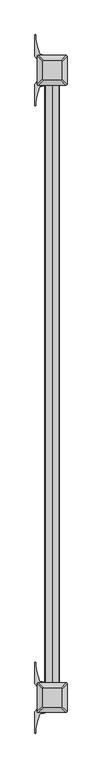
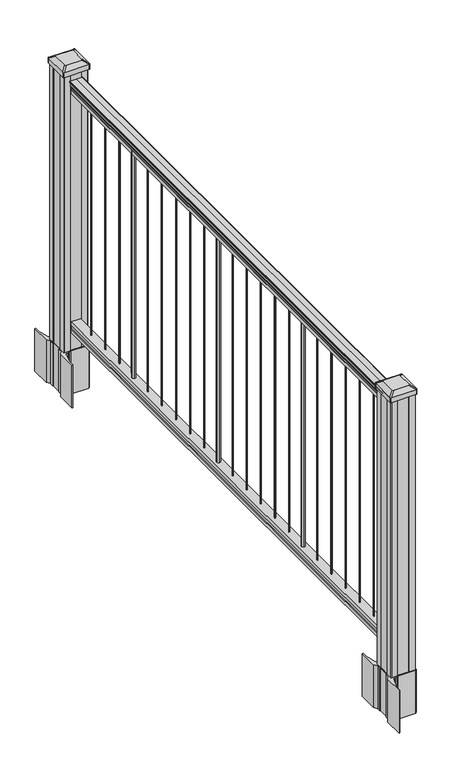
"""IFC4 building model written with IfcOpenShell, lengths in millimetres: railing geometry."""

from ifc_helpers import new_model, si_unit, point, frame, frame_2d, origin, origin_with_axes, place, context, project, spatial, polyline, circle_curve, trimmed, segment, composite_curve, outline, extrude, source, transform, mapped, element, save
from ifc_brep_helpers import plane_surface, extruded_surface, advanced_brep


def railing_ecd003d6(model_context):
    return source(origin(), model_context, "Body", "SolidModel", [
        extrude(outline(composite_curve([segment(polyline([(938.4043297, -269.9529214), (940.292412, -269.9529214)]), True, "CONTINUOUS"), segment(trimmed(circle_curve(frame_2d((946.0506383, -276.2676747)), 8.545951), [point((940.292412, -269.9529214))], [point((941.8546695, -268.8227351))], False, "CARTESIAN"), True, "CONTINUOUS"), segment(trimmed(circle_curve(frame_2d((945.4636577, -275.8306117)), 7.882584), [point((941.8546695, -268.8227351))], [point((949.0726458, -268.8227351))], False, "CARTESIAN"), True, "CONTINUOUS"), segment(trimmed(circle_curve(frame_2d((951.3112527, -265.3172876)), 4.1592695), [point((949.0726458, -268.8227351))], [point((951.5060812, -269.4719915))], True, "CARTESIAN"), True, "CONTINUOUS"), segment(trimmed(circle_curve(frame_2d((951.2508864, -264.0299811)), 5.4479907), [point((951.5060812, -269.4719915))], [point((955.8362083, -266.9719915))], True, "CARTESIAN"), True, "CONTINUOUS"), segment(trimmed(circle_curve(frame_2d((955.833395, -265.2631395)), 1.7088543), [point((955.8362083, -266.9719915))], [point((957.5157972, -265.5626491))], True, "CARTESIAN"), True, "CONTINUOUS"), segment(trimmed(circle_curve(frame_2d((958.6205318, -266.8800396)), 1.7192895), [point((957.5157972, -265.5626491))], [point((958.6205318, -265.1607501))], False, "CARTESIAN"), True, "CONTINUOUS"), segment(polyline([(958.6205318, -265.1607501), (959.9608158, -265.1607502)]), True, "CONTINUOUS"), segment(trimmed(circle_curve(frame_2d((959.9608158, -266.7141974)), 1.5534472), [point((959.9608158, -265.1607502))], [point((961.514263, -266.7141974))], False, "CARTESIAN"), True, "CONTINUOUS"), segment(polyline([(961.514263, -266.7141974), (961.514263, -287.3857502), (961.514263, -308.0573029)]), True, "CONTINUOUS"), segment(trimmed(circle_curve(frame_2d((959.9608158, -308.0573029)), 1.5534472), [point((961.514263, -308.0573029))], [point((959.9608158, -309.6107502))], False, "CARTESIAN"), True, "CONTINUOUS"), segment(polyline([(959.9608158, -309.6107502), (958.6205318, -309.6107502)]), True, "CONTINUOUS"), segment(trimmed(circle_curve(frame_2d((958.6205318, -307.8914607)), 1.7192895), [point((958.6205318, -309.6107502))], [point((957.5157972, -309.2088512))], False, "CARTESIAN"), True, "CONTINUOUS"), segment(trimmed(circle_curve(frame_2d((955.833395, -309.5083608)), 1.7088543), [point((957.5157972, -309.2088512))], [point((955.8362083, -307.7995088))], True, "CARTESIAN"), True, "CONTINUOUS"), segment(trimmed(circle_curve(frame_2d((951.2508864, -310.7415193)), 5.4479907), [point((955.8362083, -307.7995088))], [point((951.5060812, -305.2995088))], True, "CARTESIAN"), True, "CONTINUOUS"), segment(trimmed(circle_curve(frame_2d((951.3112527, -309.4542127)), 4.1592695), [point((951.5060812, -305.2995088))], [point((949.0726458, -305.9487652))], True, "CARTESIAN"), True, "CONTINUOUS"), segment(trimmed(circle_curve(frame_2d((945.4636577, -298.9408886)), 7.882584), [point((949.0726458, -305.9487652))], [point((941.8546695, -305.9487652))], False, "CARTESIAN"), True, "CONTINUOUS"), segment(trimmed(circle_curve(frame_2d((946.0506383, -298.5038256)), 8.545951), [point((941.8546695, -305.9487652))], [point((940.292412, -304.8185789))], False, "CARTESIAN"), True, "CONTINUOUS"), segment(polyline([(940.292412, -304.8185789), (938.4043297, -304.8185789)]), True, "CONTINUOUS"), segment(trimmed(circle_curve(frame_2d((938.4043297, -303.5316645)), 1.2869144), [point((938.4043297, -304.8185789))], [point((938.4043297, -302.2447502))], False, "CARTESIAN"), True, "CONTINUOUS"), segment(polyline([(938.4043297, -302.2447502), (927.9048283, -302.2447502), (926.8888283, -303.2607502), (914.4, -303.2607502), (914.4, -271.5107502), (926.731013, -271.5107502), (927.747013, -272.5267502), (938.4043297, -272.5267502)]), True, "CONTINUOUS"), segment(trimmed(circle_curve(frame_2d((938.4043297, -271.2398358)), 1.2869144), [point((938.4043297, -272.5267502))], [point((938.4043297, -269.9529214))], False, "CARTESIAN"), True, "CONTINUOUS")], self_intersect=False)), frame((0.0, -85992.9191011, 0.0), z_axis=(0.0, 1.0, 0.0), x_axis=(0.0, 0.0, 1.0)), (0.0, 0.0, 1.0), 1828.8),
        extrude(outline(polyline([(76.0541976, -271.4732633), (77.3546183, -272.4892633), (87.7141717, -272.4892633), (89.0624492, -271.4732633), (101.5958781, -271.4732633), (101.5958781, -303.2232633), (89.0458024, -303.2232633), (87.6975248, -302.2072633), (77.3858283, -302.2072633), (76.0375508, -303.2232633), (63.5, -303.2232633), (63.5, -271.4732633), (76.0541976, -271.4732633)])), frame((0.0, -85992.9191011, 0.0), z_axis=(0.0, 1.0, 0.0), x_axis=(0.0, 0.0, 1.0)), (0.0, 0.0, 1.0), 1828.8),
        extrude(outline(composite_curve([segment(trimmed(circle_curve(frame_2d((-287.3857502, -84253.0191011)), 1.5875), [point((-285.7982502, -84253.0191011))], [point((-287.3857502, -84254.6066011))], False, "CARTESIAN"), True, "CONTINUOUS"), segment(trimmed(circle_curve(frame_2d((-287.3857502, -84253.0191011)), 1.5875), [point((-287.3857502, -84254.6066011))], [point((-288.9732502, -84253.0191011))], False, "CARTESIAN"), True, "CONTINUOUS"), segment(trimmed(circle_curve(frame_2d((-287.3857502, -84253.0191011)), 1.5875), [point((-288.9732502, -84253.0191011))], [point((-287.3857502, -84251.4316011))], False, "CARTESIAN"), True, "CONTINUOUS"), segment(trimmed(circle_curve(frame_2d((-287.3857502, -84253.0191011)), 1.5875), [point((-287.3857502, -84251.4316011))], [point((-285.7982502, -84253.0191011))], False, "CARTESIAN"), True, "CONTINUOUS")], self_intersect=False)), frame((0.0, 0.0, 101.5958781), z_axis=(0.0, 0.0, 1.0), x_axis=(1.0, 0.0, 0.0)), (0.0, 0.0, 1.0), 812.8041219),
        extrude(outline(composite_curve([segment(trimmed(circle_curve(frame_2d((-287.3857502, -84335.5691011)), 1.5875), [point((-285.7982502, -84335.5691011))], [point((-287.3857502, -84337.1566011))], False, "CARTESIAN"), True, "CONTINUOUS"), segment(trimmed(circle_curve(frame_2d((-287.3857502, -84335.5691011)), 1.5875), [point((-287.3857502, -84337.1566011))], [point((-288.9732502, -84335.5691011))], False, "CARTESIAN"), True, "CONTINUOUS"), segment(trimmed(circle_curve(frame_2d((-287.3857502, -84335.5691011)), 1.5875), [point((-288.9732502, -84335.5691011))], [point((-287.3857502, -84333.9816011))], False, "CARTESIAN"), True, "CONTINUOUS"), segment(trimmed(circle_curve(frame_2d((-287.3857502, -84335.5691011)), 1.5875), [point((-287.3857502, -84333.9816011))], [point((-285.7982502, -84335.5691011))], False, "CARTESIAN"), True, "CONTINUOUS")], self_intersect=False)), frame((0.0, 0.0, 101.5958781), z_axis=(0.0, 0.0, 1.0), x_axis=(1.0, 0.0, 0.0)), (0.0, 0.0, 1.0), 812.8041219),
        extrude(outline(composite_curve([segment(trimmed(circle_curve(frame_2d((-287.3857502, -84418.1191011)), 1.5875), [point((-285.7982502, -84418.1191011))], [point((-287.3857502, -84419.7066011))], False, "CARTESIAN"), True, "CONTINUOUS"), segment(trimmed(circle_curve(frame_2d((-287.3857502, -84418.1191011)), 1.5875), [point((-287.3857502, -84419.7066011))], [point((-288.9732502, -84418.1191011))], False, "CARTESIAN"), True, "CONTINUOUS"), segment(trimmed(circle_curve(frame_2d((-287.3857502, -84418.1191011)), 1.5875), [point((-288.9732502, -84418.1191011))], [point((-287.3857502, -84416.5316011))], False, "CARTESIAN"), True, "CONTINUOUS"), segment(trimmed(circle_curve(frame_2d((-287.3857502, -84418.1191011)), 1.5875), [point((-287.3857502, -84416.5316011))], [point((-285.7982502, -84418.1191011))], False, "CARTESIAN"), True, "CONTINUOUS")], self_intersect=False)), frame((0.0, 0.0, 101.5958781), z_axis=(0.0, 0.0, 1.0), x_axis=(1.0, 0.0, 0.0)), (0.0, 0.0, 1.0), 812.8041219),
        extrude(outline(composite_curve([segment(trimmed(circle_curve(frame_2d((-287.3857502, -84500.6691011)), 6.35), [point((-281.0357502, -84500.6691011))], [point((-287.3857502, -84507.0191011))], False, "CARTESIAN"), True, "CONTINUOUS"), segment(trimmed(circle_curve(frame_2d((-287.3857502, -84500.6691011)), 6.35), [point((-287.3857502, -84507.0191011))], [point((-293.7357502, -84500.6691011))], False, "CARTESIAN"), True, "CONTINUOUS"), segment(trimmed(circle_curve(frame_2d((-287.3857502, -84500.6691011)), 6.35), [point((-293.7357502, -84500.6691011))], [point((-287.3857502, -84494.3191011))], False, "CARTESIAN"), True, "CONTINUOUS"), segment(trimmed(circle_curve(frame_2d((-287.3857502, -84500.6691011)), 6.35), [point((-287.3857502, -84494.3191011))], [point((-281.0357502, -84500.6691011))], False, "CARTESIAN"), True, "CONTINUOUS")], self_intersect=False)), frame((0.0, 0.0, 101.5958781), z_axis=(0.0, 0.0, 1.0), x_axis=(1.0, 0.0, 0.0)), (0.0, 0.0, 1.0), 812.8041219),
        extrude(outline(composite_curve([segment(trimmed(circle_curve(frame_2d((-287.3857502, -84583.2191011)), 1.5875), [point((-285.7982502, -84583.2191011))], [point((-287.3857502, -84584.8066011))], False, "CARTESIAN"), True, "CONTINUOUS"), segment(trimmed(circle_curve(frame_2d((-287.3857502, -84583.2191011)), 1.5875), [point((-287.3857502, -84584.8066011))], [point((-288.9732502, -84583.2191011))], False, "CARTESIAN"), True, "CONTINUOUS"), segment(trimmed(circle_curve(frame_2d((-287.3857502, -84583.2191011)), 1.5875), [point((-288.9732502, -84583.2191011))], [point((-287.3857502, -84581.6316011))], False, "CARTESIAN"), True, "CONTINUOUS"), segment(trimmed(circle_curve(frame_2d((-287.3857502, -84583.2191011)), 1.5875), [point((-287.3857502, -84581.6316011))], [point((-285.7982502, -84583.2191011))], False, "CARTESIAN"), True, "CONTINUOUS")], self_intersect=False)), frame((0.0, 0.0, 101.5958781), z_axis=(0.0, 0.0, 1.0), x_axis=(1.0, 0.0, 0.0)), (0.0, 0.0, 1.0), 812.8041219),
        extrude(outline(composite_curve([segment(trimmed(circle_curve(frame_2d((-287.3857502, -84665.7691011)), 1.5875), [point((-285.7982502, -84665.7691011))], [point((-287.3857502, -84667.3566011))], False, "CARTESIAN"), True, "CONTINUOUS"), segment(trimmed(circle_curve(frame_2d((-287.3857502, -84665.7691011)), 1.5875), [point((-287.3857502, -84667.3566011))], [point((-288.9732502, -84665.7691011))], False, "CARTESIAN"), True, "CONTINUOUS"), segment(trimmed(circle_curve(frame_2d((-287.3857502, -84665.7691011)), 1.5875), [point((-288.9732502, -84665.7691011))], [point((-287.3857502, -84664.1816011))], False, "CARTESIAN"), True, "CONTINUOUS"), segment(trimmed(circle_curve(frame_2d((-287.3857502, -84665.7691011)), 1.5875), [point((-287.3857502, -84664.1816011))], [point((-285.7982502, -84665.7691011))], False, "CARTESIAN"), True, "CONTINUOUS")], self_intersect=False)), frame((0.0, 0.0, 101.5958781), z_axis=(0.0, 0.0, 1.0), x_axis=(1.0, 0.0, 0.0)), (0.0, 0.0, 1.0), 812.8041219),
        extrude(outline(composite_curve([segment(trimmed(circle_curve(frame_2d((-287.3857502, -84748.3191011)), 1.5875), [point((-285.7982502, -84748.3191011))], [point((-287.3857502, -84749.9066011))], False, "CARTESIAN"), True, "CONTINUOUS"), segment(trimmed(circle_curve(frame_2d((-287.3857502, -84748.3191011)), 1.5875), [point((-287.3857502, -84749.9066011))], [point((-288.9732502, -84748.3191011))], False, "CARTESIAN"), True, "CONTINUOUS"), segment(trimmed(circle_curve(frame_2d((-287.3857502, -84748.3191011)), 1.5875), [point((-288.9732502, -84748.3191011))], [point((-287.3857502, -84746.7316011))], False, "CARTESIAN"), True, "CONTINUOUS"), segment(trimmed(circle_curve(frame_2d((-287.3857502, -84748.3191011)), 1.5875), [point((-287.3857502, -84746.7316011))], [point((-285.7982502, -84748.3191011))], False, "CARTESIAN"), True, "CONTINUOUS")], self_intersect=False)), frame((0.0, 0.0, 101.5958781), z_axis=(0.0, 0.0, 1.0), x_axis=(1.0, 0.0, 0.0)), (0.0, 0.0, 1.0), 812.8041219),
        extrude(outline(composite_curve([segment(trimmed(circle_curve(frame_2d((-287.3857502, -84830.8691011)), 1.5875), [point((-285.7982502, -84830.8691011))], [point((-287.3857502, -84832.4566011))], False, "CARTESIAN"), True, "CONTINUOUS"), segment(trimmed(circle_curve(frame_2d((-287.3857502, -84830.8691011)), 1.5875), [point((-287.3857502, -84832.4566011))], [point((-288.9732502, -84830.8691011))], False, "CARTESIAN"), True, "CONTINUOUS"), segment(trimmed(circle_curve(frame_2d((-287.3857502, -84830.8691011)), 1.5875), [point((-288.9732502, -84830.8691011))], [point((-287.3857502, -84829.2816011))], False, "CARTESIAN"), True, "CONTINUOUS"), segment(trimmed(circle_curve(frame_2d((-287.3857502, -84830.8691011)), 1.5875), [point((-287.3857502, -84829.2816011))], [point((-285.7982502, -84830.8691011))], False, "CARTESIAN"), True, "CONTINUOUS")], self_intersect=False)), frame((0.0, 0.0, 101.5958781), z_axis=(0.0, 0.0, 1.0), x_axis=(1.0, 0.0, 0.0)), (0.0, 0.0, 1.0), 812.8041219),
        extrude(outline(composite_curve([segment(trimmed(circle_curve(frame_2d((-287.3857502, -84913.4191011)), 1.5875), [point((-285.7982502, -84913.4191011))], [point((-287.3857502, -84915.0066011))], False, "CARTESIAN"), True, "CONTINUOUS"), segment(trimmed(circle_curve(frame_2d((-287.3857502, -84913.4191011)), 1.5875), [point((-287.3857502, -84915.0066011))], [point((-288.9732502, -84913.4191011))], False, "CARTESIAN"), True, "CONTINUOUS"), segment(trimmed(circle_curve(frame_2d((-287.3857502, -84913.4191011)), 1.5875), [point((-288.9732502, -84913.4191011))], [point((-287.3857502, -84911.8316011))], False, "CARTESIAN"), True, "CONTINUOUS"), segment(trimmed(circle_curve(frame_2d((-287.3857502, -84913.4191011)), 1.5875), [point((-287.3857502, -84911.8316011))], [point((-285.7982502, -84913.4191011))], False, "CARTESIAN"), True, "CONTINUOUS")], self_intersect=False)), frame((0.0, 0.0, 101.5958781), z_axis=(0.0, 0.0, 1.0), x_axis=(1.0, 0.0, 0.0)), (0.0, 0.0, 1.0), 812.8041219),
        extrude(outline(composite_curve([segment(trimmed(circle_curve(frame_2d((-287.3857502, -84995.9691011)), 6.35), [point((-281.0357502, -84995.9691011))], [point((-287.3857502, -85002.3191011))], False, "CARTESIAN"), True, "CONTINUOUS"), segment(trimmed(circle_curve(frame_2d((-287.3857502, -84995.9691011)), 6.35), [point((-287.3857502, -85002.3191011))], [point((-293.7357502, -84995.9691011))], False, "CARTESIAN"), True, "CONTINUOUS"), segment(trimmed(circle_curve(frame_2d((-287.3857502, -84995.9691011)), 6.35), [point((-293.7357502, -84995.9691011))], [point((-287.3857502, -84989.6191011))], False, "CARTESIAN"), True, "CONTINUOUS"), segment(trimmed(circle_curve(frame_2d((-287.3857502, -84995.9691011)), 6.35), [point((-287.3857502, -84989.6191011))], [point((-281.0357502, -84995.9691011))], False, "CARTESIAN"), True, "CONTINUOUS")], self_intersect=False)), frame((0.0, 0.0, 101.5958781), z_axis=(0.0, 0.0, 1.0), x_axis=(1.0, 0.0, 0.0)), (0.0, 0.0, 1.0), 812.8041219),
        extrude(outline(composite_curve([segment(trimmed(circle_curve(frame_2d((-287.3857502, -85078.5191011)), 1.5875), [point((-285.7982502, -85078.5191011))], [point((-287.3857502, -85080.1066011))], False, "CARTESIAN"), True, "CONTINUOUS"), segment(trimmed(circle_curve(frame_2d((-287.3857502, -85078.5191011)), 1.5875), [point((-287.3857502, -85080.1066011))], [point((-288.9732502, -85078.5191011))], False, "CARTESIAN"), True, "CONTINUOUS"), segment(trimmed(circle_curve(frame_2d((-287.3857502, -85078.5191011)), 1.5875), [point((-288.9732502, -85078.5191011))], [point((-287.3857502, -85076.9316011))], False, "CARTESIAN"), True, "CONTINUOUS"), segment(trimmed(circle_curve(frame_2d((-287.3857502, -85078.5191011)), 1.5875), [point((-287.3857502, -85076.9316011))], [point((-285.7982502, -85078.5191011))], False, "CARTESIAN"), True, "CONTINUOUS")], self_intersect=False)), frame((0.0, 0.0, 101.5958781), z_axis=(0.0, 0.0, 1.0), x_axis=(1.0, 0.0, 0.0)), (0.0, 0.0, 1.0), 812.8041219),
        extrude(outline(composite_curve([segment(trimmed(circle_curve(frame_2d((-287.3857502, -85161.0691011)), 1.5875), [point((-285.7982502, -85161.0691011))], [point((-287.3857502, -85162.6566011))], False, "CARTESIAN"), True, "CONTINUOUS"), segment(trimmed(circle_curve(frame_2d((-287.3857502, -85161.0691011)), 1.5875), [point((-287.3857502, -85162.6566011))], [point((-288.9732502, -85161.0691011))], False, "CARTESIAN"), True, "CONTINUOUS"), segment(trimmed(circle_curve(frame_2d((-287.3857502, -85161.0691011)), 1.5875), [point((-288.9732502, -85161.0691011))], [point((-287.3857502, -85159.4816011))], False, "CARTESIAN"), True, "CONTINUOUS"), segment(trimmed(circle_curve(frame_2d((-287.3857502, -85161.0691011)), 1.5875), [point((-287.3857502, -85159.4816011))], [point((-285.7982502, -85161.0691011))], False, "CARTESIAN"), True, "CONTINUOUS")], self_intersect=False)), frame((0.0, 0.0, 101.5958781), z_axis=(0.0, 0.0, 1.0), x_axis=(1.0, 0.0, 0.0)), (0.0, 0.0, 1.0), 812.8041219),
        extrude(outline(composite_curve([segment(trimmed(circle_curve(frame_2d((-287.3857502, -85243.6191011)), 1.5875), [point((-285.7982502, -85243.6191011))], [point((-287.3857502, -85245.2066011))], False, "CARTESIAN"), True, "CONTINUOUS"), segment(trimmed(circle_curve(frame_2d((-287.3857502, -85243.6191011)), 1.5875), [point((-287.3857502, -85245.2066011))], [point((-288.9732502, -85243.6191011))], False, "CARTESIAN"), True, "CONTINUOUS"), segment(trimmed(circle_curve(frame_2d((-287.3857502, -85243.6191011)), 1.5875), [point((-288.9732502, -85243.6191011))], [point((-287.3857502, -85242.0316011))], False, "CARTESIAN"), True, "CONTINUOUS"), segment(trimmed(circle_curve(frame_2d((-287.3857502, -85243.6191011)), 1.5875), [point((-287.3857502, -85242.0316011))], [point((-285.7982502, -85243.6191011))], False, "CARTESIAN"), True, "CONTINUOUS")], self_intersect=False)), frame((0.0, 0.0, 101.5958781), z_axis=(0.0, 0.0, 1.0), x_axis=(1.0, 0.0, 0.0)), (0.0, 0.0, 1.0), 812.8041219),
        extrude(outline(composite_curve([segment(trimmed(circle_curve(frame_2d((-287.3857502, -85326.1691011)), 1.5875), [point((-285.7982502, -85326.1691011))], [point((-287.3857502, -85327.7566011))], False, "CARTESIAN"), True, "CONTINUOUS"), segment(trimmed(circle_curve(frame_2d((-287.3857502, -85326.1691011)), 1.5875), [point((-287.3857502, -85327.7566011))], [point((-288.9732502, -85326.1691011))], False, "CARTESIAN"), True, "CONTINUOUS"), segment(trimmed(circle_curve(frame_2d((-287.3857502, -85326.1691011)), 1.5875), [point((-288.9732502, -85326.1691011))], [point((-287.3857502, -85324.5816011))], False, "CARTESIAN"), True, "CONTINUOUS"), segment(trimmed(circle_curve(frame_2d((-287.3857502, -85326.1691011)), 1.5875), [point((-287.3857502, -85324.5816011))], [point((-285.7982502, -85326.1691011))], False, "CARTESIAN"), True, "CONTINUOUS")], self_intersect=False)), frame((0.0, 0.0, 101.5958781), z_axis=(0.0, 0.0, 1.0), x_axis=(1.0, 0.0, 0.0)), (0.0, 0.0, 1.0), 812.8041219),
        extrude(outline(composite_curve([segment(trimmed(circle_curve(frame_2d((-287.3857502, -85408.7191011)), 1.5875), [point((-285.7982502, -85408.7191011))], [point((-287.3857502, -85410.3066011))], False, "CARTESIAN"), True, "CONTINUOUS"), segment(trimmed(circle_curve(frame_2d((-287.3857502, -85408.7191011)), 1.5875), [point((-287.3857502, -85410.3066011))], [point((-288.9732502, -85408.7191011))], False, "CARTESIAN"), True, "CONTINUOUS"), segment(trimmed(circle_curve(frame_2d((-287.3857502, -85408.7191011)), 1.5875), [point((-288.9732502, -85408.7191011))], [point((-287.3857502, -85407.1316011))], False, "CARTESIAN"), True, "CONTINUOUS"), segment(trimmed(circle_curve(frame_2d((-287.3857502, -85408.7191011)), 1.5875), [point((-287.3857502, -85407.1316011))], [point((-285.7982502, -85408.7191011))], False, "CARTESIAN"), True, "CONTINUOUS")], self_intersect=False)), frame((0.0, 0.0, 101.5958781), z_axis=(0.0, 0.0, 1.0), x_axis=(1.0, 0.0, 0.0)), (0.0, 0.0, 1.0), 812.8041219),
        extrude(outline(composite_curve([segment(trimmed(circle_curve(frame_2d((-287.3857502, -85491.2691011)), 6.35), [point((-281.0357502, -85491.2691011))], [point((-287.3857502, -85497.6191011))], False, "CARTESIAN"), True, "CONTINUOUS"), segment(trimmed(circle_curve(frame_2d((-287.3857502, -85491.2691011)), 6.35), [point((-287.3857502, -85497.6191011))], [point((-293.7357502, -85491.2691011))], False, "CARTESIAN"), True, "CONTINUOUS"), segment(trimmed(circle_curve(frame_2d((-287.3857502, -85491.2691011)), 6.35), [point((-293.7357502, -85491.2691011))], [point((-287.3857502, -85484.9191011))], False, "CARTESIAN"), True, "CONTINUOUS"), segment(trimmed(circle_curve(frame_2d((-287.3857502, -85491.2691011)), 6.35), [point((-287.3857502, -85484.9191011))], [point((-281.0357502, -85491.2691011))], False, "CARTESIAN"), True, "CONTINUOUS")], self_intersect=False)), frame((0.0, 0.0, 101.5958781), z_axis=(0.0, 0.0, 1.0), x_axis=(1.0, 0.0, 0.0)), (0.0, 0.0, 1.0), 812.8041219),
        extrude(outline(composite_curve([segment(trimmed(circle_curve(frame_2d((-287.3857502, -85573.8191011)), 1.5875), [point((-285.7982502, -85573.8191011))], [point((-287.3857502, -85575.4066011))], False, "CARTESIAN"), True, "CONTINUOUS"), segment(trimmed(circle_curve(frame_2d((-287.3857502, -85573.8191011)), 1.5875), [point((-287.3857502, -85575.4066011))], [point((-288.9732502, -85573.8191011))], False, "CARTESIAN"), True, "CONTINUOUS"), segment(trimmed(circle_curve(frame_2d((-287.3857502, -85573.8191011)), 1.5875), [point((-288.9732502, -85573.8191011))], [point((-287.3857502, -85572.2316011))], False, "CARTESIAN"), True, "CONTINUOUS"), segment(trimmed(circle_curve(frame_2d((-287.3857502, -85573.8191011)), 1.5875), [point((-287.3857502, -85572.2316011))], [point((-285.7982502, -85573.8191011))], False, "CARTESIAN"), True, "CONTINUOUS")], self_intersect=False)), frame((0.0, 0.0, 101.5958781), z_axis=(0.0, 0.0, 1.0), x_axis=(1.0, 0.0, 0.0)), (0.0, 0.0, 1.0), 812.8041219),
        extrude(outline(composite_curve([segment(trimmed(circle_curve(frame_2d((-287.3857502, -85656.3691011)), 1.5875), [point((-285.7982502, -85656.3691011))], [point((-287.3857502, -85657.9566011))], False, "CARTESIAN"), True, "CONTINUOUS"), segment(trimmed(circle_curve(frame_2d((-287.3857502, -85656.3691011)), 1.5875), [point((-287.3857502, -85657.9566011))], [point((-288.9732502, -85656.3691011))], False, "CARTESIAN"), True, "CONTINUOUS"), segment(trimmed(circle_curve(frame_2d((-287.3857502, -85656.3691011)), 1.5875), [point((-288.9732502, -85656.3691011))], [point((-287.3857502, -85654.7816011))], False, "CARTESIAN"), True, "CONTINUOUS"), segment(trimmed(circle_curve(frame_2d((-287.3857502, -85656.3691011)), 1.5875), [point((-287.3857502, -85654.7816011))], [point((-285.7982502, -85656.3691011))], False, "CARTESIAN"), True, "CONTINUOUS")], self_intersect=False)), frame((0.0, 0.0, 101.5958781), z_axis=(0.0, 0.0, 1.0), x_axis=(1.0, 0.0, 0.0)), (0.0, 0.0, 1.0), 812.8041219),
        extrude(outline(composite_curve([segment(trimmed(circle_curve(frame_2d((-287.3857502, -85738.9191011)), 1.5875), [point((-285.7982502, -85738.9191011))], [point((-287.3857502, -85740.5066011))], False, "CARTESIAN"), True, "CONTINUOUS"), segment(trimmed(circle_curve(frame_2d((-287.3857502, -85738.9191011)), 1.5875), [point((-287.3857502, -85740.5066011))], [point((-288.9732502, -85738.9191011))], False, "CARTESIAN"), True, "CONTINUOUS"), segment(trimmed(circle_curve(frame_2d((-287.3857502, -85738.9191011)), 1.5875), [point((-288.9732502, -85738.9191011))], [point((-287.3857502, -85737.3316011))], False, "CARTESIAN"), True, "CONTINUOUS"), segment(trimmed(circle_curve(frame_2d((-287.3857502, -85738.9191011)), 1.5875), [point((-287.3857502, -85737.3316011))], [point((-285.7982502, -85738.9191011))], False, "CARTESIAN"), True, "CONTINUOUS")], self_intersect=False)), frame((0.0, 0.0, 101.5958781), z_axis=(0.0, 0.0, 1.0), x_axis=(1.0, 0.0, 0.0)), (0.0, 0.0, 1.0), 812.8041219),
        extrude(outline(composite_curve([segment(trimmed(circle_curve(frame_2d((-287.3857502, -85821.4691011)), 1.5875), [point((-285.7982502, -85821.4691011))], [point((-287.3857502, -85823.0566011))], False, "CARTESIAN"), True, "CONTINUOUS"), segment(trimmed(circle_curve(frame_2d((-287.3857502, -85821.4691011)), 1.5875), [point((-287.3857502, -85823.0566011))], [point((-288.9732502, -85821.4691011))], False, "CARTESIAN"), True, "CONTINUOUS"), segment(trimmed(circle_curve(frame_2d((-287.3857502, -85821.4691011)), 1.5875), [point((-288.9732502, -85821.4691011))], [point((-287.3857502, -85819.8816011))], False, "CARTESIAN"), True, "CONTINUOUS"), segment(trimmed(circle_curve(frame_2d((-287.3857502, -85821.4691011)), 1.5875), [point((-287.3857502, -85819.8816011))], [point((-285.7982502, -85821.4691011))], False, "CARTESIAN"), True, "CONTINUOUS")], self_intersect=False)), frame((0.0, 0.0, 101.5958781), z_axis=(0.0, 0.0, 1.0), x_axis=(1.0, 0.0, 0.0)), (0.0, 0.0, 1.0), 812.8041219),
        extrude(outline(composite_curve([segment(trimmed(circle_curve(frame_2d((-287.3857502, -85904.0191011)), 1.5875), [point((-285.7982502, -85904.0191011))], [point((-287.3857502, -85905.6066011))], False, "CARTESIAN"), True, "CONTINUOUS"), segment(trimmed(circle_curve(frame_2d((-287.3857502, -85904.0191011)), 1.5875), [point((-287.3857502, -85905.6066011))], [point((-288.9732502, -85904.0191011))], False, "CARTESIAN"), True, "CONTINUOUS"), segment(trimmed(circle_curve(frame_2d((-287.3857502, -85904.0191011)), 1.5875), [point((-288.9732502, -85904.0191011))], [point((-287.3857502, -85902.4316011))], False, "CARTESIAN"), True, "CONTINUOUS"), segment(trimmed(circle_curve(frame_2d((-287.3857502, -85904.0191011)), 1.5875), [point((-287.3857502, -85902.4316011))], [point((-285.7982502, -85904.0191011))], False, "CARTESIAN"), True, "CONTINUOUS")], self_intersect=False)), frame((0.0, 0.0, 101.5958781), z_axis=(0.0, 0.0, 1.0), x_axis=(1.0, 0.0, 0.0)), (0.0, 0.0, 1.0), 812.8041219),
        extrude(outline(composite_curve([segment(polyline([(-244.6502502, -84140.103196), (-243.0627502, -84140.865196), (-243.0627502, -84163.6671241), (-246.4357272, -84167.0401011), (-307.895398, -84167.0401011), (-307.895398, -84167.9608511), (-313.2129419, -84167.9608511), (-313.2129419, -84169.4151058), (-318.2974716, -84169.4151058), (-318.2974716, -84170.6991297), (-319.9647439, -84170.6991297)]), True, "CONTINUOUS"), segment(trimmed(circle_curve(frame_2d((-319.9647439, -84177.7585895)), 7.0594599), [point((-319.9647439, -84170.6991297))], [point((-326.7320067, -84175.7485828))], True, "CARTESIAN"), True, "CONTINUOUS"), segment(polyline([(-326.7320067, -84175.7485828), (-334.606201, -84202.2593119)]), True, "CONTINUOUS"), segment(trimmed(circle_curve(frame_2d((-279.8216877, -84218.5313616)), 57.15), [point((-334.606201, -84202.2593119))], [point((-336.9716877, -84218.5313616))], True, "CARTESIAN"), True, "CONTINUOUS"), segment(polyline([(-336.9716877, -84218.5313616), (-336.9716877, -84230.5401011), (-339.9716877, -84230.5401011), (-339.9716877, -84165.4526011), (-331.7087502, -84154.1143098), (-331.7087502, -84140.865196), (-330.1212502, -84140.103196), (-330.1212502, -84105.3310063), (-331.7087502, -84104.5690063), (-331.7087502, -84091.3198925), (-339.9716877, -84079.9816011), (-339.9716877, -84014.8941011), (-336.9716877, -84014.8941011), (-336.9716877, -84026.9028407)]), True, "CONTINUOUS"), segment(trimmed(circle_curve(frame_2d((-279.8216877, -84026.9028407)), 57.15), [point((-336.9716877, -84026.9028407))], [point((-334.606201, -84043.1748904))], True, "CARTESIAN"), True, "CONTINUOUS"), segment(polyline([(-334.606201, -84043.1748904), (-326.7320067, -84069.6856194)]), True, "CONTINUOUS"), segment(trimmed(circle_curve(frame_2d((-319.9647439, -84067.6756128)), 7.0594599), [point((-326.7320067, -84069.6856194))], [point((-319.9647439, -84074.7350726))], True, "CARTESIAN"), True, "CONTINUOUS"), segment(polyline([(-319.9647439, -84074.7350726), (-318.2974716, -84074.7350726), (-318.2974716, -84076.0190965), (-313.2129419, -84076.0190965), (-313.2129419, -84077.4733511), (-307.895398, -84077.4733511), (-307.895398, -84078.3941011), (-246.4357272, -84078.3941011), (-243.0627502, -84081.7670782), (-243.0627502, -84104.5690063), (-244.6502502, -84105.3310063), (-244.6502502, -84140.103196)]), True, "CONTINUOUS")], self_intersect=False), holes=[polyline([(-328.6607502, -84083.0296011), (-328.6607502, -84162.4046011), (-327.0732502, -84163.9921011), (-290.1489675, -84163.9921011), (-247.6982502, -84163.9921011), (-246.1107502, -84162.4046011), (-246.1107502, -84083.0296011), (-247.6982502, -84081.4421011), (-290.1489675, -84081.4421011), (-327.0732502, -84081.4421011), (-328.6607502, -84083.0296011)])]), frame((0.0, 0.0, -152.4), z_axis=(0.0, 0.0, 1.0), x_axis=(1.0, 0.0, 0.0)), (0.0, 0.0, 1.0), 152.4),
        advanced_brep(
        [(-313.1826252, -84151.6889761, 1012.825), (-261.5888752, -84151.6889761, 1012.825), (-258.4138752, -84148.5139761, 1012.825), (-258.4138752, -84096.9202261, 1012.825), (-261.5888752, -84093.7452261, 1012.825), (-313.1826252, -84093.7452261, 1012.825), (-316.3576252, -84096.9202261, 1012.825), (-316.3576252, -84148.5139761, 1012.825), (-329.4545002, -84167.9608511, 1001.522), (-332.6295002, -84164.7858511, 1001.522), (-332.6295002, -84080.6483511, 1001.522), (-329.4545002, -84077.4733511, 1001.522), (-245.3170002, -84077.4733511, 1001.522), (-242.1420002, -84080.6483511, 1001.522), (-242.1420002, -84164.7858511, 1001.522), (-245.3170002, -84167.9608511, 1001.522)],
        [
            (0, 1),
            (1, 2, circle_curve(frame((-261.5888752, -84148.5139761, 1012.825), z_axis=(0.0, 0.0, 1.0), x_axis=(0.0, 1.0, 0.0)), 3.175)),
            (2, 3),
            (3, 4, circle_curve(frame((-261.5888752, -84096.9202261, 1012.825), z_axis=(0.0, 0.0, 1.0), x_axis=(0.0, 1.0, 0.0)), 3.175)),
            (4, 5),
            (5, 6, circle_curve(frame((-313.1826252, -84096.9202261, 1012.825), z_axis=(0.0, 0.0, 1.0), x_axis=(0.0, 1.0, 0.0)), 3.175)),
            (6, 7),
            (7, 0, circle_curve(frame((-313.1826252, -84148.5139761, 1012.825), z_axis=(0.0, 0.0, 1.0), x_axis=(0.0, 1.0, 0.0)), 3.175)),
            (8, 9, circle_curve(frame((-329.4545002, -84164.7858511, 1001.522), z_axis=(0.0, 0.0, -1.0), x_axis=(0.0, 1.0, 0.0)), 3.175)),
            (9, 10),
            (10, 11, circle_curve(frame((-329.4545002, -84080.6483511, 1001.522), z_axis=(0.0, 0.0, -1.0), x_axis=(0.0, 1.0, 0.0)), 3.175)),
            (11, 12),
            (12, 13, circle_curve(frame((-245.3170002, -84080.6483511, 1001.522), z_axis=(0.0, 0.0, -1.0), x_axis=(0.0, 1.0, 0.0)), 3.175)),
            (13, 14),
            (14, 15, circle_curve(frame((-245.3170002, -84164.7858511, 1001.522), z_axis=(0.0, 0.0, -1.0), x_axis=(0.0, 1.0, 0.0)), 3.175)),
            (15, 8),
            (8, 0),
            (7, 9),
            (6, 10),
            (5, 11),
            (4, 12),
            (3, 13),
            (2, 14),
            (1, 15),
        ],
        [
            plane_surface(frame((-287.3857502, -84122.7171011, 1012.825), z_axis=(0.0, 0.0, 1.0), x_axis=(-1.0, 0.0, 0.0))),
            plane_surface(frame((-287.3857502, -84122.7171011, 1001.522), z_axis=(0.0, 0.0, -1.0), x_axis=(-1.0, 0.0, 0.0))),
            extruded_surface(trimmed(circle_curve(frame((-313.1826252, -84148.5139761, 1012.825), z_axis=(0.0, 0.0, -1.0), x_axis=(0.0, 1.0, 0.0)), 3.175), [point((-313.1826252, -84151.6889761, 1012.825))], [point((-316.3576252, -84148.5139761, 1012.825))], True, "CARTESIAN"), (-16.271874999999966, -16.27187499999127, -11.302999999999997), 25.6379726388606),
            plane_surface(frame((-332.6295002, -84122.7171011, 1001.522), z_axis=(-0.5705009161540779, 0.0, 0.8212969649690408), x_axis=(0.0, 1.0, 0.0))),
            extruded_surface(trimmed(circle_curve(frame((-313.1826252, -84096.9202261, 1012.825), z_axis=(0.0, 0.0, -1.0), x_axis=(0.0, 1.0, 0.0)), 3.175), [point((-316.3576252, -84096.9202261, 1012.825))], [point((-313.1826252, -84093.7452261, 1012.825))], True, "CARTESIAN"), (-16.271874999999966, 16.27187500000582, -11.302999999999997), 25.637972638869837),
            plane_surface(frame((-287.3857502, -84077.4733511, 1001.522), z_axis=(0.0, 0.5705009161540291, 0.8212969649690747), x_axis=(1.0, 0.0, 0.0))),
            extruded_surface(trimmed(circle_curve(frame((-261.5888752, -84096.9202261, 1012.825), z_axis=(0.0, 0.0, -1.0), x_axis=(0.0, 1.0, 0.0)), 3.175), [point((-261.5888752, -84093.7452261, 1012.825))], [point((-258.4138752, -84096.9202261, 1012.825))], True, "CARTESIAN"), (16.271875000000023, 16.27187500000582, -11.302999999999997), 25.637972638869872),
            plane_surface(frame((-242.1420002, -84122.7171011, 1001.522), z_axis=(0.5705009161540141, 0.0, 0.8212969649690851), x_axis=(0.0, -1.0, 0.0))),
            extruded_surface(trimmed(circle_curve(frame((-261.5888752, -84148.5139761, 1012.825), z_axis=(0.0, 0.0, -1.0), x_axis=(0.0, 1.0, 0.0)), 3.175), [point((-258.4138752, -84148.5139761, 1012.825))], [point((-261.5888752, -84151.6889761, 1012.825))], True, "CARTESIAN"), (16.271875000000023, -16.27187499999127, -11.302999999999997), 25.637972638860635),
            plane_surface(frame((-287.3857502, -84167.9608511, 1001.522), z_axis=(0.0, -0.570500916154034, 0.8212969649690713), x_axis=(-1.0, 0.0, 0.0))),
        ],
        [
            (0, [[1, 2, 3, 4, 5, 6, 7, 8]]),
            (1, [[9, 10, 11, 12, 13, 14, 15, 16]]),
            (2, [[17, -8, 18, -9]]),
            (3, [[-18, -7, 19, -10]]),
            (4, [[-19, -6, 20, -11]]),
            (5, [[-20, -5, 21, -12]]),
            (6, [[-21, -4, 22, -13]]),
            (7, [[-22, -3, 23, -14]]),
            (8, [[-23, -2, 24, -15]]),
            (9, [[-24, -1, -17, -16]]),
        ],
    ),
        extrude(outline(composite_curve([segment(trimmed(circle_curve(frame_2d((-329.4545002, -84164.7858511)), 3.175), [point((-329.4545002, -84167.9608511))], [point((-332.6295002, -84164.7858511))], False, "CARTESIAN"), True, "CONTINUOUS"), segment(polyline([(-332.6295002, -84164.7858511), (-332.6295002, -84080.6483511)]), True, "CONTINUOUS"), segment(trimmed(circle_curve(frame_2d((-329.4545002, -84080.6483511)), 3.175), [point((-332.6295002, -84080.6483511))], [point((-329.4545002, -84077.4733511))], False, "CARTESIAN"), True, "CONTINUOUS"), segment(polyline([(-329.4545002, -84077.4733511), (-245.3170002, -84077.4733511)]), True, "CONTINUOUS"), segment(trimmed(circle_curve(frame_2d((-245.3170002, -84080.6483511)), 3.175), [point((-245.3170002, -84077.4733511))], [point((-242.1420002, -84080.6483511))], False, "CARTESIAN"), True, "CONTINUOUS"), segment(polyline([(-242.1420002, -84080.6483511), (-242.1420002, -84164.7858511)]), True, "CONTINUOUS"), segment(trimmed(circle_curve(frame_2d((-245.3170002, -84164.7858511)), 3.175), [point((-242.1420002, -84164.7858511))], [point((-245.3170002, -84167.9608511))], False, "CARTESIAN"), True, "CONTINUOUS"), segment(polyline([(-245.3170002, -84167.9608511), (-329.4545002, -84167.9608511)]), True, "CONTINUOUS")], self_intersect=False)), frame((0.0, 0.0, 984.25), z_axis=(0.0, 0.0, 1.0), x_axis=(1.0, 0.0, 0.0)), (0.0, 0.0, 1.0), 17.272),
        extrude(outline(polyline([(-327.0732502, -84163.9921011), (-328.6607502, -84162.4046011), (-328.6607502, -84142.7831011), (-327.0732502, -84142.0211011), (-327.0732502, -84103.4131011), (-328.6607502, -84102.6511011), (-328.6607502, -84083.0296011), (-327.0732502, -84081.4421011), (-307.4517502, -84081.4421011), (-306.6897502, -84083.0296011), (-268.0817502, -84083.0296011), (-267.3197502, -84081.4421011), (-247.6982502, -84081.4421011), (-246.1107502, -84083.0296011), (-246.1107502, -84102.6511011), (-247.6982502, -84103.4131011), (-247.6982502, -84142.0211011), (-246.1107502, -84142.7831011), (-246.1107502, -84162.4046011), (-247.6982502, -84163.9921011), (-267.3197502, -84163.9921011), (-268.0817502, -84162.4046011), (-306.6897502, -84162.4046011), (-307.4517502, -84163.9921011), (-327.0732502, -84163.9921011)])), origin_with_axes(), (0.0, 0.0, 1.0), 984.25),
        extrude(outline(composite_curve([segment(polyline([(-244.6502502, -86051.707196), (-243.0627502, -86052.469196), (-243.0627502, -86075.2711241), (-246.4357272, -86078.6441011), (-307.895398, -86078.6441011), (-307.895398, -86079.5648511), (-313.2129419, -86079.5648511), (-313.2129419, -86081.0191058), (-318.2974716, -86081.0191058), (-318.2974716, -86082.3031297), (-319.9647439, -86082.3031297)]), True, "CONTINUOUS"), segment(trimmed(circle_curve(frame_2d((-319.9647439, -86089.3625895)), 7.0594599), [point((-319.9647439, -86082.3031297))], [point((-326.7320067, -86087.3525828))], True, "CARTESIAN"), True, "CONTINUOUS"), segment(polyline([(-326.7320067, -86087.3525828), (-334.606201, -86113.8633119)]), True, "CONTINUOUS"), segment(trimmed(circle_curve(frame_2d((-279.8216877, -86130.1353616)), 57.15), [point((-334.606201, -86113.8633119))], [point((-336.9716877, -86130.1353616))], True, "CARTESIAN"), True, "CONTINUOUS"), segment(polyline([(-336.9716877, -86130.1353616), (-336.9716877, -86142.1441011), (-339.9716877, -86142.1441011), (-339.9716877, -86077.0566011), (-331.7087502, -86065.7183098), (-331.7087502, -86052.469196), (-330.1212502, -86051.707196), (-330.1212502, -86016.9350063), (-331.7087502, -86016.1730063), (-331.7087502, -86002.9238925), (-339.9716877, -85991.5856011), (-339.9716877, -85926.4981011), (-336.9716877, -85926.4981011), (-336.9716877, -85938.5068407)]), True, "CONTINUOUS"), segment(trimmed(circle_curve(frame_2d((-279.8216877, -85938.5068407)), 57.15), [point((-336.9716877, -85938.5068407))], [point((-334.606201, -85954.7788904))], True, "CARTESIAN"), True, "CONTINUOUS"), segment(polyline([(-334.606201, -85954.7788904), (-326.7320067, -85981.2896194)]), True, "CONTINUOUS"), segment(trimmed(circle_curve(frame_2d((-319.9647439, -85979.2796128)), 7.0594599), [point((-326.7320067, -85981.2896194))], [point((-319.9647439, -85986.3390726))], True, "CARTESIAN"), True, "CONTINUOUS"), segment(polyline([(-319.9647439, -85986.3390726), (-318.2974716, -85986.3390726), (-318.2974716, -85987.6230965), (-313.2129419, -85987.6230965), (-313.2129419, -85989.0773511), (-307.895398, -85989.0773511), (-307.895398, -85989.9981011), (-246.4357272, -85989.9981011), (-243.0627502, -85993.3710782), (-243.0627502, -86016.1730063), (-244.6502502, -86016.9350063), (-244.6502502, -86051.707196)]), True, "CONTINUOUS")], self_intersect=False), holes=[polyline([(-328.6607502, -85994.6336011), (-328.6607502, -86074.0086011), (-327.0732502, -86075.5961011), (-290.1489675, -86075.5961011), (-247.6982502, -86075.5961011), (-246.1107502, -86074.0086011), (-246.1107502, -85994.6336011), (-247.6982502, -85993.0461011), (-290.1489675, -85993.0461011), (-327.0732502, -85993.0461011), (-328.6607502, -85994.6336011)])]), frame((0.0, 0.0, -152.4), z_axis=(0.0, 0.0, 1.0), x_axis=(1.0, 0.0, 0.0)), (0.0, 0.0, 1.0), 152.4),
        advanced_brep(
        [(-313.1826252, -86063.2929761, 1012.825), (-261.5888752, -86063.2929761, 1012.825), (-258.4138752, -86060.1179761, 1012.825), (-258.4138752, -86008.5242261, 1012.825), (-261.5888752, -86005.3492261, 1012.825), (-313.1826252, -86005.3492261, 1012.825), (-316.3576252, -86008.5242261, 1012.825), (-316.3576252, -86060.1179761, 1012.825), (-329.4545002, -86079.5648511, 1001.522), (-332.6295002, -86076.3898511, 1001.522), (-332.6295002, -85992.2523511, 1001.522), (-329.4545002, -85989.0773511, 1001.522), (-245.3170002, -85989.0773511, 1001.522), (-242.1420002, -85992.2523511, 1001.522), (-242.1420002, -86076.3898511, 1001.522), (-245.3170002, -86079.5648511, 1001.522)],
        [
            (0, 1),
            (1, 2, circle_curve(frame((-261.5888752, -86060.1179761, 1012.825), z_axis=(0.0, 0.0, 1.0), x_axis=(0.0, 1.0, 0.0)), 3.175)),
            (2, 3),
            (3, 4, circle_curve(frame((-261.5888752, -86008.5242261, 1012.825), z_axis=(0.0, 0.0, 1.0), x_axis=(0.0, 1.0, 0.0)), 3.175)),
            (4, 5),
            (5, 6, circle_curve(frame((-313.1826252, -86008.5242261, 1012.825), z_axis=(0.0, 0.0, 1.0), x_axis=(0.0, 1.0, 0.0)), 3.175)),
            (6, 7),
            (7, 0, circle_curve(frame((-313.1826252, -86060.1179761, 1012.825), z_axis=(0.0, 0.0, 1.0), x_axis=(0.0, 1.0, 0.0)), 3.175)),
            (8, 9, circle_curve(frame((-329.4545002, -86076.3898511, 1001.522), z_axis=(0.0, 0.0, -1.0), x_axis=(0.0, 1.0, 0.0)), 3.175)),
            (9, 10),
            (10, 11, circle_curve(frame((-329.4545002, -85992.2523511, 1001.522), z_axis=(0.0, 0.0, -1.0), x_axis=(0.0, 1.0, 0.0)), 3.175)),
            (11, 12),
            (12, 13, circle_curve(frame((-245.3170002, -85992.2523511, 1001.522), z_axis=(0.0, 0.0, -1.0), x_axis=(0.0, 1.0, 0.0)), 3.175)),
            (13, 14),
            (14, 15, circle_curve(frame((-245.3170002, -86076.3898511, 1001.522), z_axis=(0.0, 0.0, -1.0), x_axis=(0.0, 1.0, 0.0)), 3.175)),
            (15, 8),
            (8, 0),
            (7, 9),
            (6, 10),
            (5, 11),
            (4, 12),
            (3, 13),
            (2, 14),
            (1, 15),
        ],
        [
            plane_surface(frame((-287.3857502, -86034.3211011, 1012.825), z_axis=(0.0, 0.0, 1.0), x_axis=(-1.0, 0.0, 0.0))),
            plane_surface(frame((-287.3857502, -86034.3211011, 1001.522), z_axis=(0.0, 0.0, -1.0), x_axis=(-1.0, 0.0, 0.0))),
            extruded_surface(trimmed(circle_curve(frame((-313.1826252, -86060.1179761, 1012.825), z_axis=(0.0, 0.0, -1.0), x_axis=(0.0, 1.0, 0.0)), 3.175), [point((-313.1826252, -86063.2929761, 1012.825))], [point((-316.3576252, -86060.1179761, 1012.825))], True, "CARTESIAN"), (-16.271874999999966, -16.27187500000582, -11.302999999999997), 25.637972638869837),
            plane_surface(frame((-332.6295002, -86034.3211011, 1001.522), z_axis=(-0.5705009161540779, 0.0, 0.8212969649690408), x_axis=(0.0, 1.0, 0.0))),
            extruded_surface(trimmed(circle_curve(frame((-313.1826252, -86008.5242261, 1012.825), z_axis=(0.0, 0.0, -1.0), x_axis=(0.0, 1.0, 0.0)), 3.175), [point((-316.3576252, -86008.5242261, 1012.825))], [point((-313.1826252, -86005.3492261, 1012.825))], True, "CARTESIAN"), (-16.271874999999966, 16.27187499999127, -11.302999999999997), 25.6379726388606),
            plane_surface(frame((-287.3857502, -85989.0773511, 1001.522), z_axis=(0.0, 0.5705009161540291, 0.8212969649690747), x_axis=(1.0, 0.0, 0.0))),
            extruded_surface(trimmed(circle_curve(frame((-261.5888752, -86008.5242261, 1012.825), z_axis=(0.0, 0.0, -1.0), x_axis=(0.0, 1.0, 0.0)), 3.175), [point((-261.5888752, -86005.3492261, 1012.825))], [point((-258.4138752, -86008.5242261, 1012.825))], True, "CARTESIAN"), (16.271875000000023, 16.27187499999127, -11.302999999999997), 25.637972638860635),
            plane_surface(frame((-242.1420002, -86034.3211011, 1001.522), z_axis=(0.5705009161540141, 0.0, 0.8212969649690851), x_axis=(0.0, -1.0, 0.0))),
            extruded_surface(trimmed(circle_curve(frame((-261.5888752, -86060.1179761, 1012.825), z_axis=(0.0, 0.0, -1.0), x_axis=(0.0, 1.0, 0.0)), 3.175), [point((-258.4138752, -86060.1179761, 1012.825))], [point((-261.5888752, -86063.2929761, 1012.825))], True, "CARTESIAN"), (16.271875000000023, -16.27187500000582, -11.302999999999997), 25.637972638869872),
            plane_surface(frame((-287.3857502, -86079.5648511, 1001.522), z_axis=(0.0, -0.570500916154034, 0.8212969649690713), x_axis=(-1.0, 0.0, 0.0))),
        ],
        [
            (0, [[1, 2, 3, 4, 5, 6, 7, 8]]),
            (1, [[9, 10, 11, 12, 13, 14, 15, 16]]),
            (2, [[17, -8, 18, -9]]),
            (3, [[-18, -7, 19, -10]]),
            (4, [[-19, -6, 20, -11]]),
            (5, [[-20, -5, 21, -12]]),
            (6, [[-21, -4, 22, -13]]),
            (7, [[-22, -3, 23, -14]]),
            (8, [[-23, -2, 24, -15]]),
            (9, [[-24, -1, -17, -16]]),
        ],
    ),
        extrude(outline(composite_curve([segment(trimmed(circle_curve(frame_2d((-329.4545002, -86076.3898511)), 3.175), [point((-329.4545002, -86079.5648511))], [point((-332.6295002, -86076.3898511))], False, "CARTESIAN"), True, "CONTINUOUS"), segment(polyline([(-332.6295002, -86076.3898511), (-332.6295002, -85992.2523511)]), True, "CONTINUOUS"), segment(trimmed(circle_curve(frame_2d((-329.4545002, -85992.2523511)), 3.175), [point((-332.6295002, -85992.2523511))], [point((-329.4545002, -85989.0773511))], False, "CARTESIAN"), True, "CONTINUOUS"), segment(polyline([(-329.4545002, -85989.0773511), (-245.3170002, -85989.0773511)]), True, "CONTINUOUS"), segment(trimmed(circle_curve(frame_2d((-245.3170002, -85992.2523511)), 3.175), [point((-245.3170002, -85989.0773511))], [point((-242.1420002, -85992.2523511))], False, "CARTESIAN"), True, "CONTINUOUS"), segment(polyline([(-242.1420002, -85992.2523511), (-242.1420002, -86076.3898511)]), True, "CONTINUOUS"), segment(trimmed(circle_curve(frame_2d((-245.3170002, -86076.3898511)), 3.175), [point((-242.1420002, -86076.3898511))], [point((-245.3170002, -86079.5648511))], False, "CARTESIAN"), True, "CONTINUOUS"), segment(polyline([(-245.3170002, -86079.5648511), (-329.4545002, -86079.5648511)]), True, "CONTINUOUS")], self_intersect=False)), frame((0.0, 0.0, 984.25), z_axis=(0.0, 0.0, 1.0), x_axis=(1.0, 0.0, 0.0)), (0.0, 0.0, 1.0), 17.272),
        extrude(outline(polyline([(-327.0732502, -86075.5961011), (-328.6607502, -86074.0086011), (-328.6607502, -86054.3871011), (-327.0732502, -86053.6251011), (-327.0732502, -86015.0171011), (-328.6607502, -86014.2551011), (-328.6607502, -85994.6336011), (-327.0732502, -85993.0461011), (-307.4517502, -85993.0461011), (-306.6897502, -85994.6336011), (-268.0817502, -85994.6336011), (-267.3197502, -85993.0461011), (-247.6982502, -85993.0461011), (-246.1107502, -85994.6336011), (-246.1107502, -86014.2551011), (-247.6982502, -86015.0171011), (-247.6982502, -86053.6251011), (-246.1107502, -86054.3871011), (-246.1107502, -86074.0086011), (-247.6982502, -86075.5961011), (-267.3197502, -86075.5961011), (-268.0817502, -86074.0086011), (-306.6897502, -86074.0086011), (-307.4517502, -86075.5961011), (-327.0732502, -86075.5961011)])), origin_with_axes(), (0.0, 0.0, 1.0), 984.25),
    ])


if __name__ == "__main__":
    model = new_model("IFC4")
    model_context = context("Model", 3, world=origin())
    ifc_project = project(units=[si_unit("LENGTHUNIT", "METRE", prefix="MILLI")], contexts=[model_context])
    site = spatial("IfcSite", under=ifc_project)
    building = spatial("IfcBuilding", under=site)
    placement = place(None, origin())
    railing_shape = railing_ecd003d6(model_context)
    element("IfcRailing", 1, at=placement, inside=building, context=model_context, shape_type="MappedRepresentation", body=[
        mapped(railing_shape, transform((0.0, 0.0, 0.0), x_axis=(1.0, 0.0, 0.0), y_axis=(0.0, 1.0, 0.0), z_axis=(0.0, 0.0, 1.0))),
    ])
    save(model, "model.ifc")
